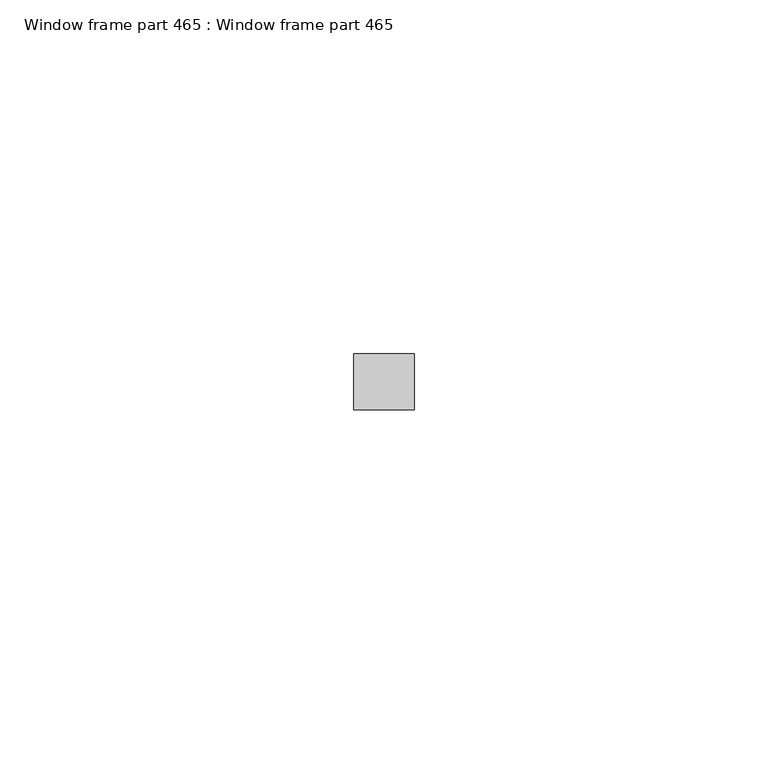
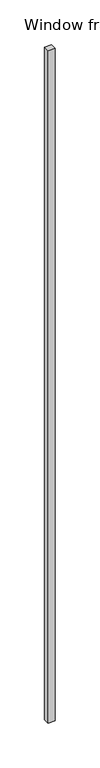
"""IFC4 building model written with IfcOpenShell, lengths in millimetres: proxy geometry, Window frame part 465 : Window frame part 465."""

from ifc_helpers import new_model, si_unit, frame, origin, place, context, project, spatial, polyline, outline, extrude, source, transform, mapped, element, save


def window_frame_part_465_window_frame_part_465_42a01bf3(model_context):
    return source(origin(), model_context, "Body", "SweptSolid", [
        extrude(outline(polyline([(37229.7503048, -22981.2894504), (37221.1620568, -22981.2894504), (37221.1620568, -22973.3524584), (37229.7503048, -22973.3524584), (37229.7503048, -22981.2894504)])), frame((0.0, 0.0, 1524.0), z_axis=(0.0, 0.0, 1.0), x_axis=(1.0, 0.0, 0.0)), (0.0, 0.0, 1.0), 914.4),
    ])


if __name__ == "__main__":
    model = new_model("IFC4")
    model_context = context("Model", 3, world=origin())
    ifc_project = project(units=[si_unit("LENGTHUNIT", "METRE", prefix="MILLI")], contexts=[model_context])
    site = spatial("IfcSite", under=ifc_project)
    building = spatial("IfcBuilding", under=site)
    placement = place(None, origin())
    window_frame_part_465_window_frame_part_465_shape = window_frame_part_465_window_frame_part_465_42a01bf3(model_context)
    element("IfcBuildingElementProxy", 1, Name="Window frame part 465 : Window frame part 465", ObjectType="Window frame part 465 : Window frame part 465", at=placement, inside=building, context=model_context, shape_type="MappedRepresentation", body=[
        mapped(window_frame_part_465_window_frame_part_465_shape, transform((0.0, 0.0, 0.0), x_axis=(1.0, 0.0, 0.0), y_axis=(0.0, 1.0, 0.0), z_axis=(0.0, 0.0, 1.0))),
    ])
    save(model, "model.ifc")
